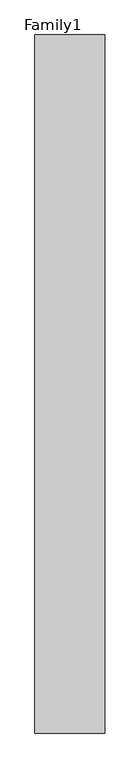
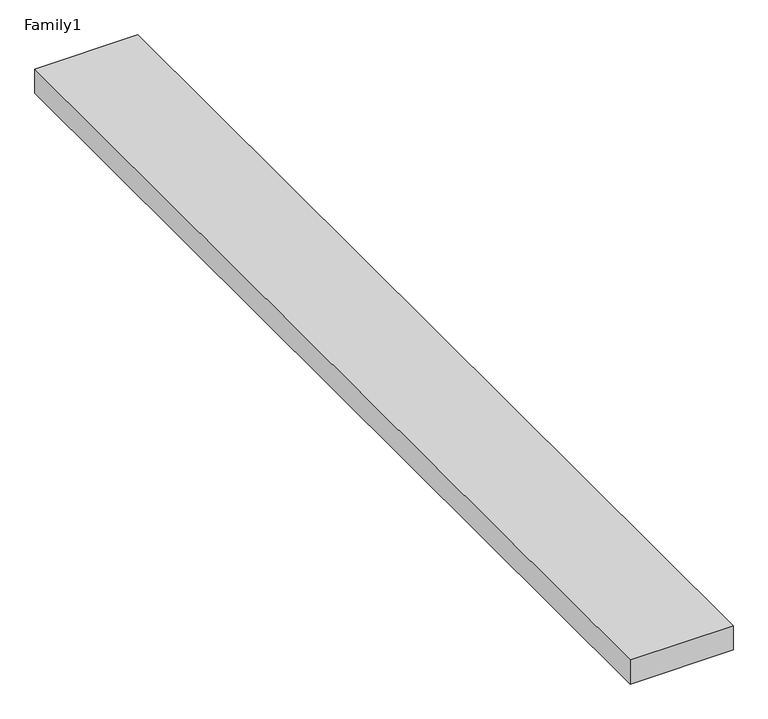
"""IFC4 building model written with IfcOpenShell, lengths in millimetres: proxy geometry, Family1."""

from ifc_helpers import new_model, si_unit, origin, origin_with_axes, place, context, project, spatial, polyline, outline, extrude, source, transform, mapped, element, save


def family1_986ac0be(model_context):
    return source(origin(), model_context, "Body", "SweptSolid", [
        extrude(outline(polyline([(5000.0, 0.0), (0.0, 0.0), (0.0, 50000.0), (5000.0, 50000.0), (5000.0, 0.0)])), origin_with_axes(), (0.0, 0.0, 1.0), 1245.0),
    ])


if __name__ == "__main__":
    model = new_model("IFC4")
    model_context = context("Model", 3, world=origin())
    ifc_project = project(units=[si_unit("LENGTHUNIT", "METRE", prefix="MILLI")], contexts=[model_context])
    site = spatial("IfcSite", under=ifc_project)
    building = spatial("IfcBuilding", under=site)
    placement = place(None, origin())
    family1_shape = family1_986ac0be(model_context)
    element("IfcBuildingElementProxy", 1, Name="Family1", ObjectType="Family1", at=placement, inside=building, context=model_context, shape_type="MappedRepresentation", body=[
        mapped(family1_shape, transform((0.0, 0.0, 0.0), x_axis=(1.0, 0.0, 0.0), y_axis=(0.0, 1.0, 0.0), z_axis=(0.0, 0.0, 1.0))),
    ])
    save(model, "model.ifc")
